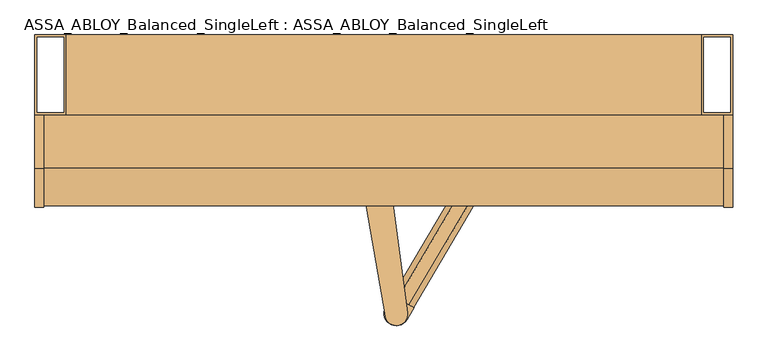
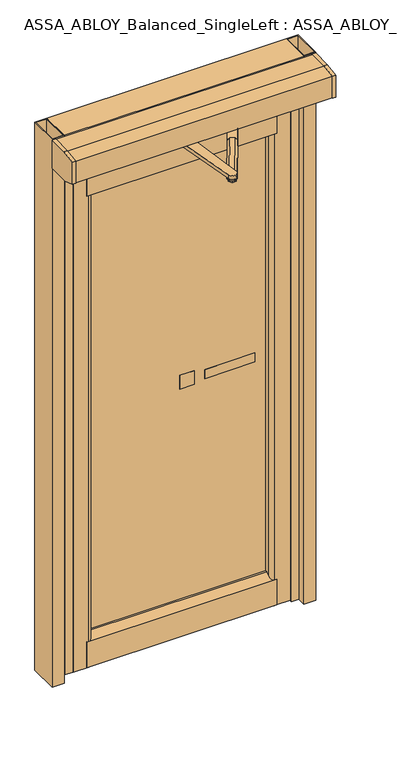
"""IFC4 building model written with IfcOpenShell, lengths in millimetres: door geometry, ASSA_ABLOY_Balanced_SingleLeft : ASSA_ABLOY_Balanced_SingleLeft."""

from ifc_helpers import new_model, si_unit, point, frame, frame_2d, origin, origin_with_axes, place, context, project, spatial, polyline, circle_curve, trimmed, segment, composite_curve, outline, extrude, source, transform, mapped, element, save
from ifc_brep_helpers import plane_surface, spline_surface, advanced_brep


def assa_abloy_balanced_singleleft_assa_abloy_balanced_6fc9153b(model_context):
    return source(origin(), model_context, "Body", "SolidModel", [
        extrude(outline(polyline([(308.309714, 314.5412672), (118.309714, 314.5412672), (118.309714, 322.5413603), (308.309714, 322.5413603), (308.309714, 314.5412672)])), frame((0.0, 0.0, 981.5), z_axis=(0.0, 0.0, 1.0), x_axis=(1.0, 0.0, 0.0)), (0.0, 0.0, 1.0), 36.000001),
        extrude(outline(polyline([(78.3097082, 314.5412672), (23.3097082, 314.5412672), (23.3097082, 322.5413603), (78.3097082, 322.5413603), (78.3097082, 314.5412672)])), frame((0.0, 0.0, 972.0), z_axis=(0.0, 0.0, 1.0), x_axis=(1.0, 0.0, 0.0)), (0.0, 0.0, 1.0), 54.9999995),
        extrude(outline(polyline([(-167.0912858, -17.1931385), (-169.0209637, -17.1931385), (-169.0209637, 17.1931385), (-166.9898719, 17.1931385), (-156.4363372, 9.376644), (-156.4363372, -9.1640587), (-167.0912858, -17.1931385)])), frame((28.1438155, -22.2523867, 2200.0), z_axis=(0.5079579104956806, 0.8613818904323808, 0.0), x_axis=(0.0, 0.0, 1.0)), (0.0, 0.0, 1.0), 199.9164081),
        advanced_brep(
        [(-21.8233871, 217.8320723, 2038.0000229), (-10.6403488, 213.4811751, 2038.0000229), (-8.8160416, 201.6202711, 2038.0000229), (-18.1770981, 194.1108458, 2038.0000229), (-29.3601364, 198.4623243, 2038.0000229), (-31.1832809, 210.3226469, 2038.0000229), (-22.5826431, 222.7742125, 2043.0000084), (-35.8434616, 212.1359083, 2043.0000084), (-33.2598984, 195.3334456, 2043.0000084), (-17.4166794, 189.1687056, 2043.0000084), (-4.1570236, 199.8070097, 2043.0000084), (-6.7394241, 216.6100538, 2043.0000084)],
        [
            (0, 1),
            (1, 2),
            (2, 3),
            (3, 4),
            (4, 5),
            (5, 0),
            (6, 7),
            (7, 8),
            (8, 9),
            (9, 10),
            (10, 11),
            (11, 6),
            (11, 1),
            (0, 6),
            (10, 2),
            (9, 3),
            (8, 4),
            (7, 5),
        ],
        [
            plane_surface(frame((-20.0000488, 205.9715559, 2038.0000229), z_axis=(0.0, 0.0, -1.0000000000000002), x_axis=(0.15193340223586047, -0.988390733103582, 0.0))),
            plane_surface(frame((-19.999855, 205.9715559, 2043.0000084), z_axis=(0.0, 0.0, 1.0000000000000002), x_axis=(0.15193340223586047, -0.988390733103582, 0.0))),
            spline_surface(1, 1, [[(-22.5826431, 222.7742125, 2043.0000084), (-21.8233871, 217.8320723, 2038.0000229)], [(-6.7394241, 216.6100538, 2043.0000084), (-10.6403488, 213.4811751, 2038.0000229)]], [2, 2], [2, 2], [0.0, 1.0], [0.0, 1.0]),
            spline_surface(1, 1, [[(-6.7394241, 216.6100538, 2043.0000084), (-10.6403488, 213.4811751, 2038.0000229)], [(-4.1570236, 199.8070097, 2043.0000084), (-8.8160416, 201.6202711, 2038.0000229)]], [2, 2], [2, 2], [0.0, 1.0], [0.0, 1.0]),
            spline_surface(1, 1, [[(-4.1570236, 199.8070097, 2043.0000084), (-8.8160416, 201.6202711, 2038.0000229)], [(-17.4166794, 189.1687056, 2043.0000084), (-18.1770981, 194.1108458, 2038.0000229)]], [2, 2], [2, 2], [0.0, 1.0], [0.0, 1.0]),
            spline_surface(1, 1, [[(-17.4166794, 189.1687056, 2043.0000084), (-18.1770981, 194.1108458, 2038.0000229)], [(-33.2598984, 195.3334456, 2043.0000084), (-29.3601364, 198.4623243, 2038.0000229)]], [2, 2], [2, 2], [0.0, 1.0], [0.0, 1.0]),
            spline_surface(1, 1, [[(-33.2598984, 195.3334456, 2043.0000084), (-29.3601364, 198.4623243, 2038.0000229)], [(-35.8434616, 212.1359083, 2043.0000084), (-31.1832809, 210.3226469, 2038.0000229)]], [2, 2], [2, 2], [0.0, 1.0], [0.0, 1.0]),
            spline_surface(1, 1, [[(-35.8434616, 212.1359083, 2043.0000084), (-31.1832809, 210.3226469, 2038.0000229)], [(-22.5826431, 222.7742125, 2043.0000084), (-21.8233871, 217.8320723, 2038.0000229)]], [2, 2], [2, 2], [0.0, 1.0], [0.0, 1.0]),
        ],
        [
            (0, [[1, 2, 3, 4, 5, 6]]),
            (1, [[7, 8, 9, 10, 11, 12]]),
            (2, [[-12, 13, -1, 14]]),
            (3, [[-11, 15, -2, -13]]),
            (4, [[-10, 16, -3, -15]]),
            (5, [[-9, 17, -4, -16]]),
            (6, [[-8, 18, -5, -17]]),
            (7, [[-7, -14, -6, -18]]),
        ],
    ),
        extrude(outline(polyline([(-21.8233871, 217.8320723), (-10.6403488, 213.4811751), (-8.8160416, 201.6202711), (-18.1770981, 194.1108458), (-29.3601364, 198.4623243), (-31.1832809, 210.3226469), (-21.8233871, 217.8320723)])), frame((0.0, 0.0, 2081.9999535), z_axis=(0.0, 0.0, 1.0), x_axis=(1.0, 0.0, 0.0)), (0.0, 0.0, 1.0), 3.0001076),
        extrude(outline(polyline([(-36.7748001, 212.4986769), (-22.7349594, 223.7625242), (-5.9604019, 217.2355971), (-3.2245224, 199.4448225), (-17.2643631, 188.1803938), (-34.0400833, 194.707321), (-36.7748001, 212.4986769)])), frame((0.0, 0.0, 2057.0000259), z_axis=(0.0, 0.0, 1.0), x_axis=(1.0, 0.0, 0.0)), (0.0, 0.0, 1.0), 24.9999275),
        extrude(outline(composite_curve([segment(polyline([(43.2856591, -30.9853319), (33.1521397, -48.3476351)]), True, "CONTINUOUS"), segment(trimmed(circle_curve(frame_2d((18.0380967, -39.5263141)), 17.5), [point((33.1521397, -48.3476351))], [point((2.9240537, -30.7049932))], False, "CARTESIAN"), True, "CONTINUOUS"), segment(polyline([(2.9240537, -30.7049932), (13.0575731, -13.34269), (43.2856591, -30.9853319)]), True, "CONTINUOUS")], self_intersect=False)), frame((0.0, 0.0, 2036.4999691), z_axis=(0.0, 0.0, 1.0), x_axis=(1.0, 0.0, 0.0)), (0.0, 0.0, 1.0), 4.0000465),
        extrude(outline(composite_curve([segment(polyline([(206.7547114, 246.2536152), (144.7838462, 141.1650244), (114.6462903, 158.9371765), (176.6061301, 264.0303037)]), True, "CONTINUOUS"), segment(trimmed(circle_curve(frame_2d((191.6808506, 255.1426886)), 17.4996258), [point((176.6061301, 264.0303037))], [point((206.7547114, 246.2536152))], False, "CARTESIAN"), True, "CONTINUOUS")], self_intersect=False)), frame((0.0, 0.0, 2036.4999691), z_axis=(0.0, 0.0, 1.0), x_axis=(1.0, 0.0, 0.0)), (0.0, 0.0, 1.0), 4.0000465),
        extrude(outline(polyline([(10.8518611, -28.5024017), (25.3509757, -28.6355744), (32.485388, -41.2592427), (25.119523, -53.7491571), (10.6204084, -53.6159844), (3.4859961, -40.9923161), (10.8518611, -28.5024017)])), frame((0.0, 0.0, 2028.9999908), z_axis=(0.0, 0.0, 1.0), x_axis=(1.0, 0.0, 0.0)), (0.0, 0.0, 1.0), 19.0000031),
        extrude(outline(composite_curve([segment(polyline([(0.7902211, 208.9103154), (33.8004313, -38.6948681)]), True, "CONTINUOUS"), segment(trimmed(circle_curve(frame_2d((17.937112, -40.809733)), 16.0036731), [point((33.8004313, -38.6948681))], [point((2.1709528, -43.5566907))], False, "CARTESIAN"), True, "CONTINUOUS"), segment(polyline([(2.1709528, -43.5566907), (-40.7953731, 203.0484672)]), True, "CONTINUOUS"), segment(trimmed(circle_curve(frame_2d((-20.0016313, 205.9726892)), 20.9983517), [point((-40.7953731, 203.0484672))], [point((0.7902211, 208.9103154))], False, "CARTESIAN"), True, "CONTINUOUS")], self_intersect=False)), frame((0.0, 0.0, 2043.0000084), z_axis=(0.0, 0.0, 1.0), x_axis=(1.0, 0.0, 0.0)), (0.0, 0.0, 1.0), 14.0000175),
        extrude(outline(polyline([(199.1283656, 266.0948057), (206.1992416, 253.3386076), (198.8334122, 240.848091), (184.298319, 240.848091), (177.1998489, 253.6048704), (184.5653356, 266.0948057), (199.1283656, 266.0948057)])), frame((0.0, 0.0, 2028.9999908), z_axis=(0.0, 0.0, 1.0), x_axis=(1.0, 0.0, 0.0)), (0.0, 0.0, 1.0), 19.0000092),
        extrude(outline(polyline([(184.1994217, 253.5403395), (188.0096542, 260.0009916), (195.5420969, 260.0009916), (199.1996689, 253.4025572), (195.3894363, 246.941905), (187.8569936, 246.941905), (184.1994217, 253.5403395)])), frame((0.0, 0.0, 2026.0000286), z_axis=(0.0, 0.0, 1.0), x_axis=(1.0, 0.0, 0.0)), (0.0, 0.0, 1.0), 2.9999622),
        extrude(outline(polyline([(188.0096542, 260.0009916), (195.5420969, 260.0009916), (199.1996689, 253.4025572), (195.3894363, 246.941905), (187.8569936, 246.941905), (184.1994217, 253.5403395), (188.0096542, 260.0009916)])), frame((0.0, 0.0, 2048.0), z_axis=(0.0, 0.0, 1.0), x_axis=(1.0, 0.0, 0.0)), (0.0, 0.0, 1.0), 2.9999561),
        extrude(outline(polyline([(159.6997543, 276.4714979), (159.6997543, 278.4707945), (223.6993362, 278.4707945), (223.6993362, 276.4714979), (159.6997543, 276.4714979)])), frame((0.0, 0.0, 2026.0000286), z_axis=(0.0, 0.0, 1.0), x_axis=(1.0, 0.0, 0.0)), (0.0, 0.0, 1.0), 24.9999275),
        extrude(outline(composite_curve([segment(polyline([(223.6993362, 272.4717421), (204.314473, 247.6250029)]), True, "CONTINUOUS"), segment(trimmed(circle_curve(frame_2d((191.6995453, 257.4668838)), 15.9999694), [point((204.314473, 247.6250029))], [point((179.0846176, 247.6250029))], False, "CARTESIAN"), True, "CONTINUOUS"), segment(polyline([(179.0846176, 247.6250029), (159.6997543, 272.4717421), (159.6997543, 278.4707945), (223.6993362, 278.4707945), (223.6993362, 272.4717421)]), True, "CONTINUOUS")], self_intersect=False)), frame((0.0, 0.0, 2024.0000053), z_axis=(0.0, 0.0, 1.0), x_axis=(1.0, 0.0, 0.0)), (0.0, 0.0, 1.0), 2.0000233),
        extrude(outline(polyline([(-328.0035355, 314.5412672), (-328.0035355, 322.5413603), (349.6410812, 322.5413603), (349.6410812, 314.5412672), (-328.0035355, 314.5412672)])), frame((0.0, 0.0, 129.560006), z_axis=(0.0, 0.0, 1.0), x_axis=(1.0, 0.0, 0.0)), (0.0, 0.0, 1.0), 1748.4400446),
        extrude(outline(polyline([(306.5353605, 1878.0007774), (278.4707945, 1899.6057202), (278.4707945, 2052.9999794), (326.4725157, 2052.9999794), (326.4725157, 1878.0007774), (306.5353605, 1878.0007774)])), frame((-350.0035355, 0.0, 0.0), z_axis=(1.0, 0.0, 0.0), x_axis=(0.0, 1.0, 0.0)), (0.0, 0.0, 1.0), 721.6446167),
        extrude(outline(polyline([(278.4707162, 107.9543002), (306.5363206, 129.560006), (326.4712747, 129.560006), (326.4712747, 6.5600011), (278.4707162, 6.5600011), (278.4707162, 107.9543002)])), frame((-350.0035355, 0.0, 0.0), z_axis=(1.0, 0.0, 0.0), x_axis=(0.0, 1.0, 0.0)), (0.0, 0.0, 1.0), 721.6446167),
        extrude(outline(composite_curve([segment(polyline([(349.6410812, 326.4725157), (444.4295624, 326.4725157), (444.4295624, 324.471475), (429.9002167, 324.471475), (429.9002167, 286.4714689), (422.3181213, 286.4714689), (422.3181213, 278.4713759), (364.6410812, 278.4713759)]), True, "CONTINUOUS"), segment(trimmed(circle_curve(frame_2d((364.6410812, 293.4713759)), 15.0), [point((364.6410812, 278.4713759))], [point((349.6410812, 293.4713759))], False, "CARTESIAN"), True, "CONTINUOUS"), segment(polyline([(349.6410812, 293.4713759), (349.6410812, 326.4725157)]), True, "CONTINUOUS")], self_intersect=False)), frame((0.0, 0.0, 6.5600011), z_axis=(0.0, 0.0, 1.0), x_axis=(1.0, 0.0, 0.0)), (0.0, 0.0, 1.0), 2046.4399783),
        extrude(outline(composite_curve([segment(polyline([(-420.0002457, 305.4912382), (-420.0002457, 324.9714445), (-402.0001816, 324.9714445), (-402.0001816, 326.471353), (-328.0035355, 326.471353), (-328.0035355, 293.4707945)]), True, "CONTINUOUS"), segment(trimmed(circle_curve(frame_2d((-343.0035355, 293.4707945)), 15.0), [point((-328.0035355, 293.4707945))], [point((-343.0035355, 278.4707945))], False, "CARTESIAN"), True, "CONTINUOUS"), segment(polyline([(-343.0035355, 278.4707945), (-402.0001816, 278.4707945), (-402.0001816, 279.9712843), (-432.9994522, 279.9712843), (-432.9994522, 299.8973936), (-420.0002457, 305.4912382)]), True, "CONTINUOUS")], self_intersect=False)), frame((0.0, 0.0, 6.5600011), z_axis=(0.0, 0.0, 1.0), x_axis=(1.0, 0.0, 0.0)), (0.0, 0.0, 1.0), 2046.4399783),
        extrude(outline(polyline([(245.4716459, 2197.0002014), (245.4716459, 2083.0000378), (159.4716627, 2083.0000378), (112.4716246, 2099.6105064), (112.4716246, 2188.4780472), (168.4716948, 2197.0002014), (245.4716459, 2197.0002014)])), frame((-500.0, 0.0, 0.0), z_axis=(1.0, 0.0, 0.0), x_axis=(0.0, 1.0, 0.0)), (0.0, 0.0, 1.0), 13.0003555),
        extrude(outline(polyline([(168.4716948, 2197.0002014), (245.4716459, 2197.0002014), (245.4716459, 2083.0000378), (159.4716627, 2083.0000378), (112.4716246, 2099.6105064), (112.4716246, 2188.4780472), (168.4716948, 2197.0002014)])), frame((487.0002121, 0.0, 0.0), z_axis=(1.0, 0.0, 0.0), x_axis=(0.0, 1.0, 0.0)), (0.0, 0.0, 1.0), 12.9997879),
        extrude(outline(polyline([(168.4716948, 2195.0000328), (245.4716459, 2195.0000328), (245.4716459, 2085.000061), (159.4716627, 2085.000061), (114.4715025, 2100.5741104), (114.4715025, 2186.9999397), (168.4716948, 2195.0000328)])), frame((-486.9996445, 0.0, 0.0), z_axis=(1.0, 0.0, 0.0), x_axis=(0.0, 1.0, 0.0)), (0.0, 0.0, 1.0), 973.9998566),
        extrude(outline(polyline([(359.4716643, 2199.999873), (359.4716643, 2059.9998611), (245.4591276, 2059.9998611), (245.4591276, 2199.999873), (359.4716643, 2199.999873)]), holes=[polyline([(356.471266, 2062.9999504), (356.471266, 2196.9999107), (248.4589445, 2196.9999107), (248.4589445, 2062.9999504), (356.471266, 2062.9999504)])]), frame((-455.0004349, 0.0, 0.0), z_axis=(1.0, 0.0, 0.0), x_axis=(0.0, 1.0, 0.0)), (0.0, 0.0, 1.0), 910.0002747),
        extrude(outline(polyline([(-424.0000015, 324.9714445), (-424.0000015, 305.0453352), (-437.0003708, 299.4514906), (-437.0003708, 279.9712843), (-455.0004349, 279.9712843), (-455.0004349, 324.9714445), (-424.0000015, 324.9714445)])), origin_with_axes(), (0.0, 0.0, 1.0), 2059.9999882),
        extrude(outline(polyline([(448.5002441, 326.471353), (454.9998398, 326.471353), (454.9998398, 278.4928862), (426.3899658, 278.4928862), (426.3899658, 280.4916014), (440.9193115, 280.4916014), (440.9193115, 318.4916075), (448.5002441, 318.4916075), (448.5002441, 326.471353)])), origin_with_axes(), (0.0, 0.0, 1.0), 2059.9999882),
        extrude(outline(polyline([(-500.0, 245.4716459), (-500.0, 359.4716643), (-455.0004349, 359.4716643), (-455.0004349, 245.4716459), (-500.0, 245.4716459)]), holes=[polyline([(-496.5002274, 355.9718779), (-496.5002274, 248.9720137), (-458.5002213, 248.9720137), (-458.5002213, 355.9718779), (-496.5002274, 355.9718779)])]), origin_with_axes(), (0.0, 0.0, 1.0), 2200.0),
        extrude(outline(polyline([(500.0, 359.4716643), (500.0, 245.4716459), (454.9998398, 245.4716459), (454.9998398, 359.4716643), (500.0, 359.4716643)]), holes=[polyline([(458.4996262, 355.9718779), (458.4996262, 248.9720137), (496.5002136, 248.9720137), (496.5002136, 355.9718779), (458.4996262, 355.9718779)])]), origin_with_axes(), (0.0, 0.0, 1.0), 2200.0),
    ])


if __name__ == "__main__":
    model = new_model("IFC4")
    model_context = context("Model", 3, world=origin())
    ifc_project = project(units=[si_unit("LENGTHUNIT", "METRE", prefix="MILLI")], contexts=[model_context])
    site = spatial("IfcSite", under=ifc_project)
    building = spatial("IfcBuilding", under=site)
    placement = place(None, origin())
    assa_abloy_balanced_singleleft_assa_abloy_balanced_shape = assa_abloy_balanced_singleleft_assa_abloy_balanced_6fc9153b(model_context)
    element("IfcDoor", 1, ObjectType="ASSA_ABLOY_Balanced_SingleLeft : ASSA_ABLOY_Balanced_SingleLeft", at=placement, inside=building, context=model_context, shape_type="MappedRepresentation", body=[
        mapped(assa_abloy_balanced_singleleft_assa_abloy_balanced_shape, transform((0.0, 0.0, 0.0), x_axis=(1.0, 0.0, 0.0), y_axis=(0.0, 1.0, 0.0), z_axis=(0.0, 0.0, 1.0))),
    ])
    save(model, "model.ifc")
